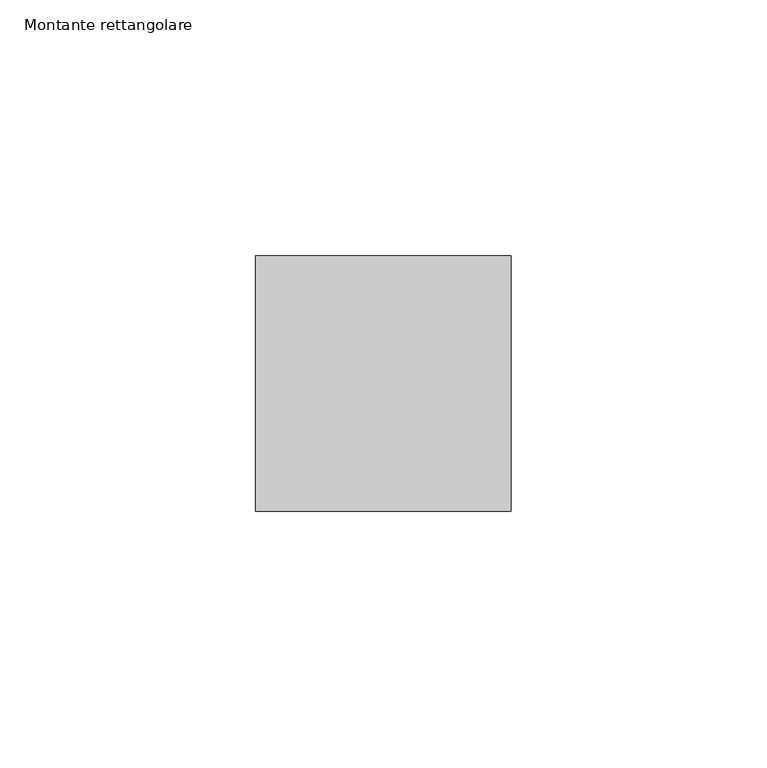
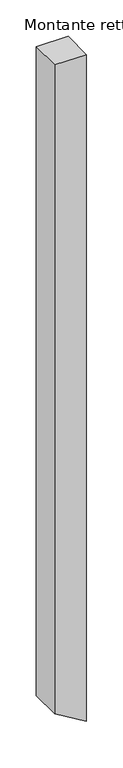
"""IFC4 building model written with IfcOpenShell, lengths in millimetres: member geometry, Montante rettangolare."""

from ifc_helpers import new_model, si_unit, frame, origin, place, context, project, spatial, polyline, outline, extrude, source, transform, mapped, element, save


def montante_rettangolare_ca484363(model_context):
    return source(origin(), model_context, "Body", "SweptSolid", [
        extrude(outline(polyline([(0.0, 0.0), (0.0, -50.0), (-1086.7830265, -50.0), (-1116.470854, 0.0), (0.0, 0.0)])), frame((0.0, -25.0, 0.0), z_axis=(0.0, 1.0, 0.0), x_axis=(0.0, 0.0, 1.0)), (0.0, 0.0, 1.0), 50.0),
    ])


if __name__ == "__main__":
    model = new_model("IFC4")
    model_context = context("Model", 3, world=origin())
    ifc_project = project(units=[si_unit("LENGTHUNIT", "METRE", prefix="MILLI")], contexts=[model_context])
    site = spatial("IfcSite", under=ifc_project)
    building = spatial("IfcBuilding", under=site)
    placement = place(None, origin())
    montante_rettangolare_shape = montante_rettangolare_ca484363(model_context)
    element("IfcMember", 1, ObjectType="Montante rettangolare", at=placement, inside=building, context=model_context, shape_type="MappedRepresentation", body=[
        mapped(montante_rettangolare_shape, transform((0.0, 0.0, 0.0), x_axis=(1.0, 0.0, 0.0), y_axis=(0.0, 1.0, 0.0), z_axis=(0.0, 0.0, 1.0))),
    ])
    save(model, "model.ifc")
